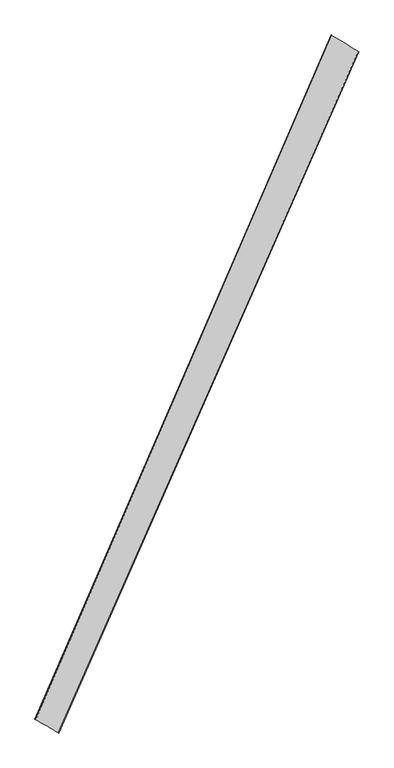
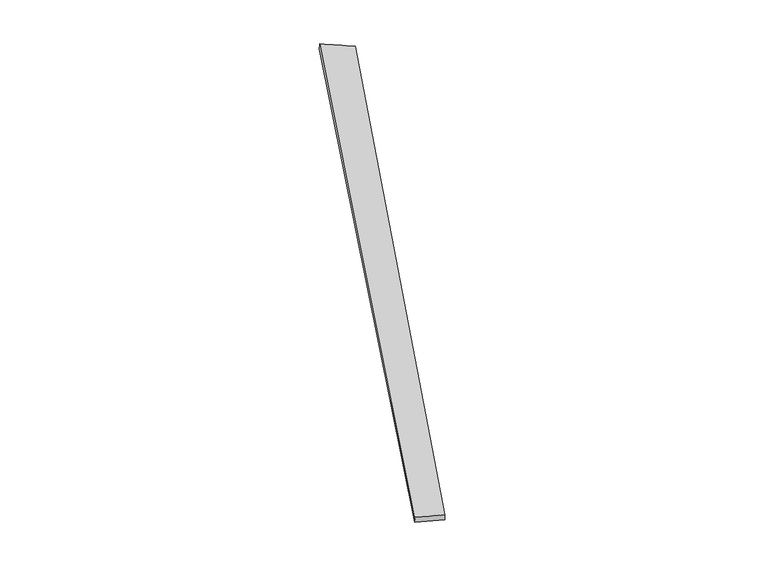
"""IFC4 building model written with IfcOpenShell, lengths in millimetres: proxy geometry."""

from ifc_helpers import new_model, si_unit, origin, place, context, project, spatial, source, transform, mapped, element, save
from ifc_brep_helpers import spline_surface, advanced_brep


def generic_models_566fc460(model_context):
    return source(origin(), model_context, "Body", "AdvancedBrep", [
        advanced_brep(
        [(-673.2666799, -1705.6089224, 7.202811), (-671.1319848, -1706.6578583, -22.7027538), (959.6989728, 2003.1854329, -36.0036597), (962.1004509, 2002.2336004, -6.1150846), (-798.0756572, -1631.6364666, -36.993703), (811.150356, 2094.3983134, -23.8518386), (-801.3216909, -1630.336284, -7.1981867), (812.48792, 2093.711606, 6.1104603)],
        [
            (0, 1),
            (1, 2),
            (2, 3),
            (3, 0),
            (1, 4),
            (4, 5),
            (5, 2),
            (4, 6),
            (6, 7),
            (7, 5),
            (6, 0),
            (3, 7),
        ],
        [
            spline_surface(1, 1, [[(-673.2666799, -1705.6089224, 7.202811), (962.1004509, 2002.2336004, -6.1150846)], [(-671.1319848, -1706.6578583, -22.7027538), (959.6989728, 2003.1854329, -36.0036597)]], [2, 2], [2, 2], [0.0, 1.0], [0.0, 1.0]),
            spline_surface(1, 1, [[(-671.1319848, -1706.6578583, -22.7027538), (959.6989728, 2003.1854329, -36.0036597)], [(-798.0756572, -1631.6364666, -36.993703), (811.150356, 2094.3983134, -23.8518386)]], [2, 2], [2, 2], [0.0, 1.0], [0.0, 1.0]),
            spline_surface(1, 1, [[(-798.0756572, -1631.6364666, -36.993703), (811.150356, 2094.3983134, -23.8518386)], [(-801.3216909, -1630.336284, -7.1981867), (812.48792, 2093.711606, 6.1104603)]], [2, 2], [2, 2], [0.0, 1.0], [0.0, 1.0]),
            spline_surface(1, 1, [[(-801.3216909, -1630.336284, -7.1981867), (812.48792, 2093.711606, 6.1104603)], [(-673.2666799, -1705.6089224, 7.202811), (962.1004509, 2002.2336004, -6.1150846)]], [2, 2], [2, 2], [0.0, 1.0], [0.0, 1.0]),
            spline_surface(1, 1, [[(959.6989728, 2003.1854329, -36.0036597), (962.1004509, 2002.2336004, -6.1150846)], [(811.150356, 2094.3983134, -23.8518386), (812.48792, 2093.711606, 6.1104603)]], [2, 2], [2, 2], [0.0, 1.0], [0.0, 1.0]),
            spline_surface(1, 1, [[(-801.3216909, -1630.336284, -7.1981867), (-673.2666799, -1705.6089224, 7.202811)], [(-798.0756572, -1631.6364666, -36.993703), (-671.1319848, -1706.6578583, -22.7027538)]], [2, 2], [2, 2], [0.0, 1.0], [0.0, 1.0]),
        ],
        [
            (0, [[1, 2, 3, 4]]),
            (1, [[5, 6, 7, -2]]),
            (2, [[8, 9, 10, -6]]),
            (3, [[11, -4, 12, -9]]),
            (4, [[-3, -7, -10, -12]]),
            (5, [[-11, -8, -5, -1]]),
        ],
    ),
    ])


if __name__ == "__main__":
    model = new_model("IFC4")
    model_context = context("Model", 3, world=origin())
    ifc_project = project(units=[si_unit("LENGTHUNIT", "METRE", prefix="MILLI")], contexts=[model_context])
    site = spatial("IfcSite", under=ifc_project)
    building = spatial("IfcBuilding", under=site)
    placement = place(None, origin())
    generic_models_shape = generic_models_566fc460(model_context)
    element("IfcBuildingElementProxy", 1, Name="Generic Models", at=placement, inside=building, context=model_context, shape_type="MappedRepresentation", body=[
        mapped(generic_models_shape, transform((0.0, 0.0, 0.0), x_axis=(1.0, 0.0, 0.0), y_axis=(0.0, 1.0, 0.0), z_axis=(0.0, 0.0, 1.0))),
    ])
    save(model, "model.ifc")
